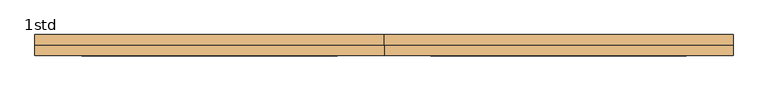
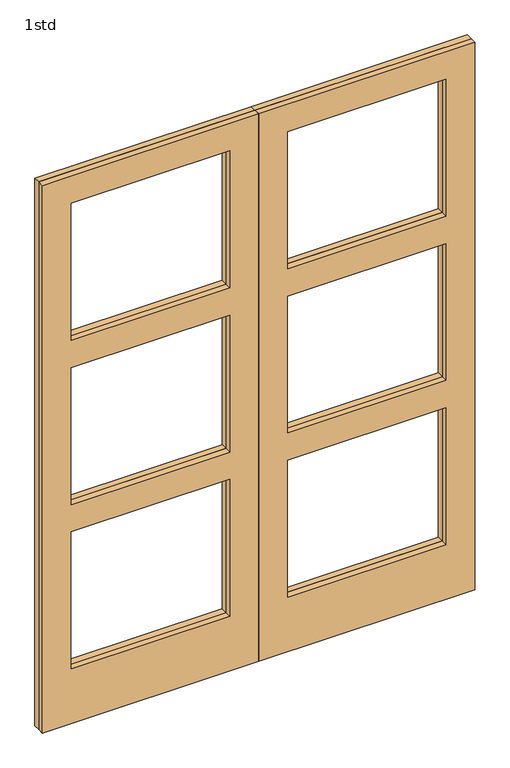
"""IFC4 building model written with IfcOpenShell, lengths in millimetres: door geometry, 1std."""

import ifcopenshell
import ifcopenshell.guid

model = None  # the IFC model being written
_history = None  # IfcOwnerHistory: only IFC2X3 demands one
_inside = {}  # id of a spatial element -> (the spatial element, [elements in it])
_under = {}  # id of a project, library or spatial element -> (it, [spatial elements below it])
_declared = {}  # id of a project -> (the project, [libraries it declares])
_typed = {}  # id of a type object -> (the type object, [elements of that type])
_made_of = {}  # id of a material, layer set ... -> (it, [elements and type objects made of it])


def new_model(schema):
    """Start an empty IFC model of exactly this schema.

    Asked for "IFC4X3", IfcOpenShell would pick the latest addendum, in which some entities
    have other attributes; the version numbers below select the first issue.
    IFC2X3 requires an IfcOwnerHistory on every rooted entity: one is made here for all.
    """
    global model, _history
    if schema == "IFC4X3":
        model = ifcopenshell.file(schema_version=(4, 3, 0, 0))
    else:
        model = ifcopenshell.file(schema=schema)
    _inside.clear()
    _under.clear()
    _declared.clear()
    _typed.clear()
    _made_of.clear()
    _history = None
    if model.schema == "IFC2X3":
        org = make("IfcOrganization", Name="unknown")
        user = make(
            "IfcPersonAndOrganization",
            ThePerson=make("IfcPerson", FamilyName="unknown"),
            TheOrganization=org,
        )
        app = make(
            "IfcApplication",
            ApplicationDeveloper=org,
            Version="unknown",
            ApplicationFullName="unknown",
            ApplicationIdentifier="unknown",
        )
        _history = make(
            "IfcOwnerHistory",
            OwningUser=user,
            OwningApplication=app,
            ChangeAction="ADDED",
            CreationDate=0,
        )
    return model


def make(cls, **values):
    """One entity of the class cls with the attributes given. An attribute that is None is left unset."""
    return model.create_entity(
        cls, **{name: value for name, value in values.items() if value is not None}
    )


def rooted(cls, **values):
    """An entity with a GlobalId (a new one), such as an element, a storey or a relation."""
    return make(cls, GlobalId=ifcopenshell.guid.new(), OwnerHistory=_history, **values)


def si_unit(unit_type, name, prefix=None):
    """IfcSIUnit, for example si_unit("LENGTHUNIT", "METRE", prefix="MILLI")."""
    return make("IfcSIUnit", UnitType=unit_type, Prefix=prefix, Name=name)


def assignment(units):
    """IfcUnitAssignment: the units of a project."""
    return None if units is None else make("IfcUnitAssignment", Units=units)


def point(xyz):
    """IfcCartesianPoint."""
    return None if xyz is None else make("IfcCartesianPoint", Coordinates=xyz)


def direction(xyz):
    """IfcDirection."""
    return None if xyz is None else make("IfcDirection", DirectionRatios=xyz)


def frame(location, z_axis=None, x_axis=None):
    """IfcAxis2Placement3D, a coordinate frame: its origin and axes. An axis left out is left unset."""
    return make(
        "IfcAxis2Placement3D",
        Location=point(location),
        Axis=direction(z_axis),
        RefDirection=direction(x_axis),
    )


def origin():
    """The frame at (0, 0, 0) with its axes left unset."""
    return frame((0.0, 0.0, 0.0))


def place(relative_to, where):
    """IfcLocalPlacement: puts the frame where relative to a parent placement (None: the world)."""
    return make(
        "IfcLocalPlacement", PlacementRelTo=relative_to, RelativePlacement=where
    )


def context(
    kind, dimensions, precision=None, world=None, true_north=None, identifier=None
):
    """IfcGeometricRepresentationContext, for example the 3D "Model" context."""
    return make(
        "IfcGeometricRepresentationContext",
        ContextIdentifier=identifier,
        ContextType=kind,
        CoordinateSpaceDimension=dimensions,
        Precision=precision,
        WorldCoordinateSystem=world,
        TrueNorth=true_north,
    )


def project(units=None, contexts=None):
    """IfcProject with its units and contexts."""
    return rooted(
        "IfcProject",
        Name="project",
        RepresentationContexts=contexts,
        UnitsInContext=assignment(units),
    )


def spatial(cls, under=None, at=None, **own):
    """A site, building, storey or space (cls), placed at a placement, below another one or the project."""
    s = rooted(cls, ObjectPlacement=at, **own)
    if under is not None:
        _under.setdefault(under.id(), (under, []))[1].append(s)
    return s


def polyline(points):
    """IfcPolyline through the points."""
    return make("IfcPolyline", Points=[point(p) for p in points])


def outline(outer, holes=None, kind="AREA"):
    """IfcArbitraryClosedProfileDef: a profile drawn as a closed curve; with holes, ...WithVoids."""
    if holes is None:
        return make("IfcArbitraryClosedProfileDef", ProfileType=kind, OuterCurve=outer)
    return make(
        "IfcArbitraryProfileDefWithVoids",
        ProfileType=kind,
        OuterCurve=outer,
        InnerCurves=holes,
    )


def extrude(swept, where, along, depth):
    """IfcExtrudedAreaSolid: the profile swept, set in the frame where, extruded along a direction by depth."""
    return make(
        "IfcExtrudedAreaSolid",
        SweptArea=swept,
        Position=where,
        ExtrudedDirection=direction(along),
        Depth=depth,
    )


def shape(context_of_items, identifier, shape_type, items):
    """IfcShapeRepresentation: the items that make up one representation, for example the "Body"."""
    return make(
        "IfcShapeRepresentation",
        ContextOfItems=context_of_items,
        RepresentationIdentifier=identifier,
        RepresentationType=shape_type,
        Items=items,
    )


def source(mapping_origin, context_of_items, identifier, shape_type, items):
    """IfcRepresentationMap: a shape defined once, which mapped items show again and again."""
    return make(
        "IfcRepresentationMap",
        MappingOrigin=mapping_origin,
        MappedRepresentation=shape(context_of_items, identifier, shape_type, items),
    )


def transform(
    local_origin,
    x_axis=None,
    y_axis=None,
    z_axis=None,
    scale=None,
    scale2=None,
    scale3=None,
    uniform=True,
):
    """IfcCartesianTransformationOperator3D, or its non-uniform kind. x_axis, y_axis, z_axis: its Axis1, 2, 3."""
    if uniform:
        return make(
            "IfcCartesianTransformationOperator3D",
            Axis1=direction(x_axis),
            Axis2=direction(y_axis),
            LocalOrigin=point(local_origin),
            Scale=scale,
            Axis3=direction(z_axis),
        )
    return make(
        "IfcCartesianTransformationOperator3DnonUniform",
        Axis1=direction(x_axis),
        Axis2=direction(y_axis),
        LocalOrigin=point(local_origin),
        Scale=scale,
        Axis3=direction(z_axis),
        Scale2=scale2,
        Scale3=scale3,
    )


def mapped(mapping_source, mapping_target):
    """IfcMappedItem: shows the shape of a source again, moved by a transform."""
    return make(
        "IfcMappedItem", MappingSource=mapping_source, MappingTarget=mapping_target
    )


def made_of(thing, what):
    """Note that an element or type object is made of a material, layer set ...; save() writes the relation."""
    if what is not None:
        _made_of.setdefault(what.id(), (what, []))[1].append(thing)
    return thing


def element(
    cls,
    number,
    at=None,
    inside=None,
    cuts=None,
    type_object=None,
    material=None,
    context=None,
    identifier="Body",
    shape_type=None,
    held_by="IfcProductDefinitionShape",
    body=None,
    shapes=None,
    **own,
):
    """One element of the class cls, such as IfcWall. Its Tag is "e" and its number.

    at: its placement. inside: the storey or other place that contains it. cuts: it is an
    opening in that element (IfcRelVoidsElement). A single representation is given by context,
    identifier, shape_type and body (its items); several are given by shapes. held_by: the class
    of the entity that holds the representations. save() writes the other relations.
    """
    e = rooted(cls, Tag="e%d" % number, ObjectPlacement=at, **own)
    if body is not None:
        shapes = [shape(context, identifier, shape_type, body)]
    if shapes is not None:
        e.Representation = make(held_by, Representations=shapes)
    if inside is not None:
        _inside.setdefault(inside.id(), (inside, []))[1].append(e)
    if cuts is not None:
        rooted(
            "IfcRelVoidsElement", RelatingBuildingElement=cuts, RelatedOpeningElement=e
        )
    if type_object is not None:
        _typed.setdefault(type_object.id(), (type_object, []))[1].append(e)
    return made_of(e, material)


def aggregate(whole, parts):
    """IfcRelAggregates: a whole, such as a stair, and the parts it consists of."""
    return rooted("IfcRelAggregates", RelatingObject=whole, RelatedObjects=parts)


def save(model, path):
    """Write the relations noted so far, then the file.

    IfcRelAggregates (storeys below a building ...), IfcRelContainedInSpatialStructure (elements
    in a storey), IfcRelDefinesByType, IfcRelAssociatesMaterial and IfcRelDeclares: one each for
    every whole, place, type object, material and project.
    """
    for whole, parts in _under.values():
        aggregate(whole, parts)
    for where, things in _inside.values():
        rooted(
            "IfcRelContainedInSpatialStructure",
            RelatedElements=things,
            RelatingStructure=where,
        )
    for kind, things in _typed.values():
        rooted("IfcRelDefinesByType", RelatedObjects=things, RelatingType=kind)
    for what, things in _made_of.values():
        rooted("IfcRelAssociatesMaterial", RelatedObjects=things, RelatingMaterial=what)
    for by, libraries in _declared.values():
        rooted("IfcRelDeclares", RelatingContext=by, RelatedDefinitions=libraries)
    model.write(path)


def door_1std_5c7d8944(model_context):
    return source(origin(), model_context, "Body", "SweptSolid", [
        extrude(outline(polyline([(2399.5, 0.0), (0.0, 0.0), (0.0, 896.5), (2399.5, 896.5), (2399.5, 0.0)]), holes=[polyline([(1559.6666667, 120.0), (1559.6666667, 776.5), (959.8333333, 776.5), (959.8333333, 120.0), (1559.6666667, 120.0)]), polyline([(839.8333333, 120.0), (839.8333333, 776.5), (240.0, 776.5), (240.0, 120.0), (839.8333333, 120.0)]), polyline([(2279.5, 120.0), (2279.5, 776.5), (1679.6666667, 776.5), (1679.6666667, 120.0), (2279.5, 120.0)])]), frame((0.0, 57.0, 0.0), z_axis=(0.0, 1.0, 0.0), x_axis=(0.0, 0.0, 1.0)), (0.0, 0.0, 1.0), 27.0),
        extrude(outline(polyline([(2399.5, -896.5), (0.0, -896.5), (0.0, 0.0), (2399.5, 0.0), (2399.5, -896.5)]), holes=[polyline([(1559.6666667, -776.5), (1559.6666667, -120.0), (959.8333333, -120.0), (959.8333333, -776.5), (1559.6666667, -776.5)]), polyline([(839.8333333, -776.5), (839.8333333, -120.0), (240.0, -120.0), (240.0, -776.5), (839.8333333, -776.5)]), polyline([(2279.5, -776.5), (2279.5, -120.0), (1679.6666667, -120.0), (1679.6666667, -776.5), (2279.5, -776.5)])]), frame((0.0, 57.0, 0.0), z_axis=(0.0, 1.0, 0.0), x_axis=(0.0, 0.0, 1.0)), (0.0, 0.0, 1.0), 27.0),
        extrude(outline(polyline([(2399.5, -896.5), (0.0, -896.5), (0.0, 0.0), (2399.5, 0.0), (2399.5, -896.5)]), holes=[polyline([(1559.6666667, -776.5), (1559.6666667, -120.0), (959.8333333, -120.0), (959.8333333, -776.5), (1559.6666667, -776.5)]), polyline([(839.8333333, -776.5), (839.8333333, -120.0), (240.0, -120.0), (240.0, -776.5), (839.8333333, -776.5)]), polyline([(2279.5, -776.5), (2279.5, -120.0), (1679.6666667, -120.0), (1679.6666667, -776.5), (2279.5, -776.5)])]), frame((0.0, 30.0, 0.0), z_axis=(0.0, 1.0, 0.0), x_axis=(0.0, 0.0, 1.0)), (0.0, 0.0, 1.0), 27.0),
        extrude(outline(polyline([(2399.5, 0.0), (0.0, 0.0), (0.0, 896.5), (2399.5, 896.5), (2399.5, 0.0)]), holes=[polyline([(1559.6666667, 120.0), (1559.6666667, 776.5), (959.8333333, 776.5), (959.8333333, 120.0), (1559.6666667, 120.0)]), polyline([(839.8333333, 120.0), (839.8333333, 776.5), (240.0, 776.5), (240.0, 120.0), (839.8333333, 120.0)]), polyline([(2279.5, 120.0), (2279.5, 776.5), (1679.6666667, 776.5), (1679.6666667, 120.0), (2279.5, 120.0)])]), frame((0.0, 30.0, 0.0), z_axis=(0.0, 1.0, 0.0), x_axis=(0.0, 0.0, 1.0)), (0.0, 0.0, 1.0), 27.0),
    ])


if __name__ == "__main__":
    model = new_model("IFC4")
    model_context = context("Model", 3, world=origin())
    ifc_project = project(units=[si_unit("LENGTHUNIT", "METRE", prefix="MILLI")], contexts=[model_context])
    site = spatial("IfcSite", under=ifc_project)
    building = spatial("IfcBuilding", under=site)
    placement = place(None, origin())
    door_1std_shape = door_1std_5c7d8944(model_context)
    element("IfcDoor", 1, ObjectType="1std", at=placement, inside=building, context=model_context, shape_type="MappedRepresentation", body=[
        mapped(door_1std_shape, transform((0.0, 0.0, 0.0), x_axis=(1.0, 0.0, 0.0), y_axis=(0.0, 1.0, 0.0), z_axis=(0.0, 0.0, 1.0))),
    ])
    save(model, "model.ifc")
